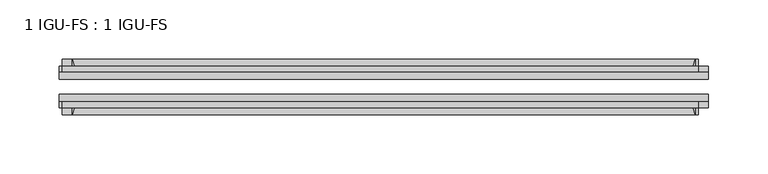
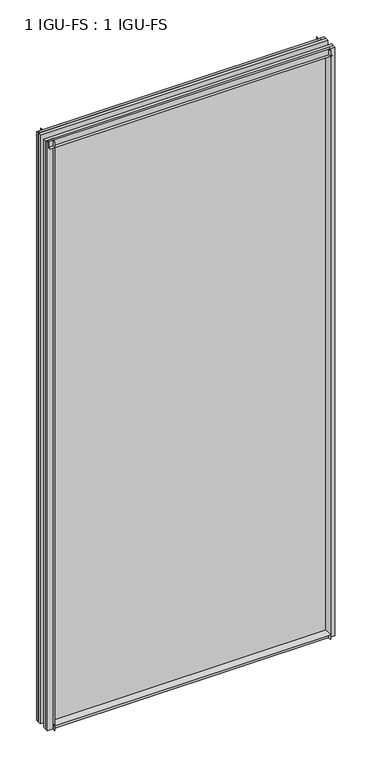
"""IFC4 building model written with IfcOpenShell, lengths in millimetres: plate geometry, 1 IGU-FS : 1 IGU-FS."""

from ifc_helpers import new_model, si_unit, point, frame, frame_2d, origin, place, context, project, spatial, polyline, circle_curve, trimmed, segment, composite_curve, outline, extrude, source, transform, mapped, element, save


def plate_1_igu_fs_1_igu_fs_3cea280b(model_context):
    return source(origin(), model_context, "Body", "SweptSolid", [
        extrude(outline(composite_curve([segment(polyline([(-44.859575, -9.525), (-44.859575, 0.0), (-50.8285753, 0.0)]), True, "CONTINUOUS"), segment(trimmed(circle_curve(frame_2d((-56.4601953, 32.279754)), 32.7673262), [point((-50.8285753, 0.0))], [point((-40.084375, 3.8978906))], True, "CARTESIAN"), True, "CONTINUOUS"), segment(polyline([(-40.084375, 3.8978906), (-40.084375, -9.525), (-44.859575, -9.525)]), True, "CONTINUOUS")], self_intersect=False)), frame((-263.5273813, 0.0, 0.0), z_axis=(1.0, 0.0, 0.0), x_axis=(0.0, 1.0, 0.0)), (0.0, 0.0, 1.0), 527.0547625),
        extrude(outline(composite_curve([segment(polyline([(-9.909175, -9.525), (-14.684375, -9.525), (-14.684375, 3.8978906)]), True, "CONTINUOUS"), segment(trimmed(circle_curve(frame_2d((1.6914453, 32.279754)), 32.7673262), [point((-14.684375, 3.8978906))], [point((-3.9401747, 0.0))], True, "CARTESIAN"), True, "CONTINUOUS"), segment(polyline([(-3.9401747, 0.0), (-9.909175, 0.0), (-9.909175, -9.525)]), True, "CONTINUOUS")], self_intersect=False)), frame((-263.5273813, 0.0, 0.0), z_axis=(1.0, 0.0, 0.0), x_axis=(0.0, 1.0, 0.0)), (0.0, 0.0, 1.0), 527.0547625),
        extrude(outline(composite_curve([segment(polyline([(-9.909175, 1179.5125), (-9.909175, 1168.4), (-3.9401753, 1168.4)]), True, "CONTINUOUS"), segment(trimmed(circle_curve(frame_2d((1.6914453, 1136.1202461)), 32.7673262), [point((-3.9401753, 1168.4))], [point((-14.684375, 1164.5021095))], True, "CARTESIAN"), True, "CONTINUOUS"), segment(polyline([(-14.684375, 1164.5021095), (-14.684375, 1179.5125), (-9.909175, 1179.5125)]), True, "CONTINUOUS")], self_intersect=False)), frame((-272.0401199, 0.0, 0.0), z_axis=(1.0, 0.0, 0.0), x_axis=(0.0, 1.0, 0.0)), (0.0, 0.0, 1.0), 538.1134626),
        extrude(outline(composite_curve([segment(polyline([(-40.084375, 1179.5125), (-40.084375, 1164.5021095)]), True, "CONTINUOUS"), segment(trimmed(circle_curve(frame_2d((-56.4601953, 1136.1202461)), 32.7673262), [point((-40.084375, 1164.5021095))], [point((-50.8285747, 1168.4))], True, "CARTESIAN"), True, "CONTINUOUS"), segment(polyline([(-50.8285747, 1168.4), (-44.859575, 1168.4), (-44.859575, 1179.5125), (-40.084375, 1179.5125)]), True, "CONTINUOUS")], self_intersect=False)), frame((-272.0401199, 0.0, 0.0), z_axis=(1.0, 0.0, 0.0), x_axis=(0.0, 1.0, 0.0)), (0.0, 0.0, 1.0), 538.1134626),
        extrude(outline(composite_curve([segment(polyline([(274.6398813, -9.909175), (274.6398813, -14.684375), (259.6294907, -14.684375)]), True, "CONTINUOUS"), segment(trimmed(circle_curve(frame_2d((231.2476273, 1.6914453)), 32.7673262), [point((259.6294907, -14.684375))], [point((263.5273813, -3.940175))], True, "CARTESIAN"), True, "CONTINUOUS"), segment(polyline([(263.5273813, -3.940175), (263.5273813, -9.909175), (274.6398813, -9.909175)]), True, "CONTINUOUS")], self_intersect=False)), frame((0.0, 0.0, -9.525), z_axis=(0.0, 0.0, 1.0), x_axis=(1.0, 0.0, 0.0)), (0.0, 0.0, 1.0), 1189.0375),
        extrude(outline(composite_curve([segment(polyline([(274.6398813, -40.084375), (274.6398813, -44.859575), (263.5273813, -44.859575), (263.5273813, -50.828575)]), True, "CONTINUOUS"), segment(trimmed(circle_curve(frame_2d((231.2476273, -56.4601953)), 32.7673262), [point((263.5273813, -50.828575))], [point((259.6294907, -40.084375))], True, "CARTESIAN"), True, "CONTINUOUS"), segment(polyline([(259.6294907, -40.084375), (274.6398813, -40.084375)]), True, "CONTINUOUS")], self_intersect=False)), frame((0.0, 0.0, -9.525), z_axis=(0.0, 0.0, 1.0), x_axis=(1.0, 0.0, 0.0)), (0.0, 0.0, 1.0), 1189.0375),
        extrude(outline(composite_curve([segment(polyline([(-274.6398812, -9.909175), (-263.5273812, -9.909175), (-263.5273812, -3.940175)]), True, "CONTINUOUS"), segment(trimmed(circle_curve(frame_2d((-231.2476273, 1.6914453)), 32.7673262), [point((-263.5273812, -3.940175))], [point((-259.6294907, -14.684375))], True, "CARTESIAN"), True, "CONTINUOUS"), segment(polyline([(-259.6294907, -14.684375), (-274.6398812, -14.684375), (-274.6398812, -9.909175)]), True, "CONTINUOUS")], self_intersect=False)), frame((0.0, 0.0, -9.525), z_axis=(0.0, 0.0, 1.0), x_axis=(1.0, 0.0, 0.0)), (0.0, 0.0, 1.0), 1189.0375),
        extrude(outline(composite_curve([segment(polyline([(-274.6398812, -44.859575), (-274.6398812, -40.084375), (-259.6294907, -40.084375)]), True, "CONTINUOUS"), segment(trimmed(circle_curve(frame_2d((-231.2476273, -56.4601953)), 32.7673262), [point((-259.6294907, -40.084375))], [point((-263.5273812, -50.828575))], True, "CARTESIAN"), True, "CONTINUOUS"), segment(polyline([(-263.5273812, -50.828575), (-263.5273812, -44.859575), (-274.6398812, -44.859575)]), True, "CONTINUOUS")], self_intersect=False)), frame((0.0, 0.0, -9.525), z_axis=(0.0, 0.0, 1.0), x_axis=(1.0, 0.0, 0.0)), (0.0, 0.0, 1.0), 1189.0375),
        extrude(outline(polyline([(-274.6398813, -40.084375), (-274.6398813, -33.785175), (274.6398813, -33.785175), (274.6398813, -40.084375), (-274.6398813, -40.084375)])), frame((0.0, 0.0, -9.525), z_axis=(0.0, 0.0, 1.0), x_axis=(1.0, 0.0, 0.0)), (0.0, 0.0, 1.0), 1189.0375),
        extrude(outline(polyline([(274.6398813, -20.983575), (-274.6398813, -20.983575), (-274.6398813, -14.684375), (274.6398813, -14.684375), (274.6398813, -20.983575)])), frame((0.0, 0.0, -9.525), z_axis=(0.0, 0.0, 1.0), x_axis=(1.0, 0.0, 0.0)), (0.0, 0.0, 1.0), 1189.0375),
    ])


if __name__ == "__main__":
    model = new_model("IFC4")
    model_context = context("Model", 3, world=origin())
    ifc_project = project(units=[si_unit("LENGTHUNIT", "METRE", prefix="MILLI")], contexts=[model_context])
    site = spatial("IfcSite", under=ifc_project)
    building = spatial("IfcBuilding", under=site)
    placement = place(None, origin())
    plate_1_igu_fs_1_igu_fs_shape = plate_1_igu_fs_1_igu_fs_3cea280b(model_context)
    element("IfcPlate", 1, ObjectType="1 IGU-FS : 1 IGU-FS", at=placement, inside=building, context=model_context, shape_type="MappedRepresentation", body=[
        mapped(plate_1_igu_fs_1_igu_fs_shape, transform((0.0, 0.0, 0.0), x_axis=(1.0, 0.0, 0.0), y_axis=(0.0, 1.0, 0.0), z_axis=(0.0, 0.0, 1.0))),
    ])
    save(model, "model.ifc")
